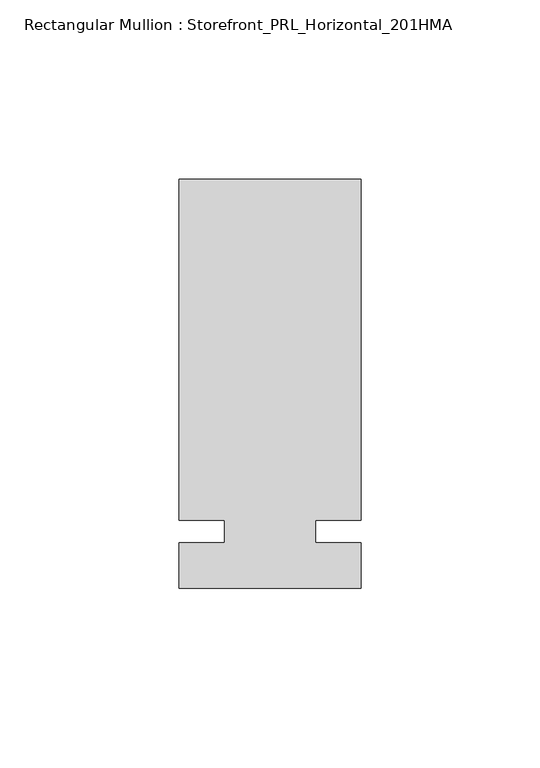
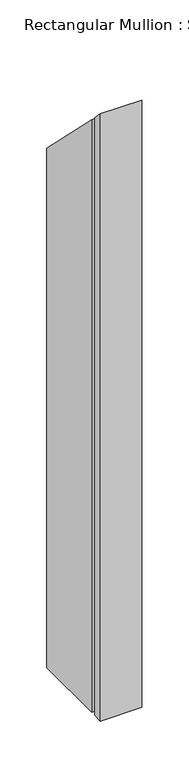
"""IFC4 building model written with IfcOpenShell, lengths in millimetres: member geometry, Rectangular Mullion : Storefront_PRL_Horizontal_201HMA."""

from ifc_helpers import new_model, si_unit, origin, place, context, project, spatial, faceted_brep, source, transform, mapped, element, save


def rectangular_mullion_storefront_prl_horizontal_201hma_a59b512b(model_context):
    return source(origin(), model_context, "Body", "Brep", [
        faceted_brep([(-12.7, 3.175, -774.7), (-25.4, 3.175, -774.7), (-25.4, 98.425, -774.7), (25.4, 98.425, -774.7), (25.4, 3.175, -774.7), (12.7, 3.175, -774.7), (12.7, -3.175, -774.7), (25.4, -3.175, -774.7), (25.4, -15.875, -774.7), (-25.4, -15.875, -774.7), (-25.4, -3.175, -774.7), (-12.7, -3.175, -774.7), (-12.7, -3.175, 3.175), (-12.7, 3.175, -3.175), (-25.4, -3.175, 3.175), (-25.4, -15.875, 15.875), (25.4, -15.875, 15.875), (25.4, -3.175, 3.175), (12.7, -3.175, 3.175), (12.7, 3.175, -3.175), (25.4, 3.175, -3.175), (25.4, 98.425, -98.425), (-25.4, 98.425, -98.425), (-25.4, 3.175, -3.175)], [[[0, 1, 2, 3, 4, 5, 6, 7, 8, 9, 10, 11]], [[12, 13, 0, 11]], [[14, 12, 11, 10]], [[15, 14, 10, 9]], [[16, 15, 9, 8]], [[17, 16, 8, 7]], [[18, 17, 7, 6]], [[19, 18, 6, 5]], [[20, 19, 5, 4]], [[21, 20, 4, 3]], [[22, 21, 3, 2]], [[23, 22, 2, 1]], [[13, 23, 1, 0]], [[13, 12, 14, 15, 16, 17, 18, 19, 20, 21, 22, 23]]]),
    ])


if __name__ == "__main__":
    model = new_model("IFC4")
    model_context = context("Model", 3, world=origin())
    ifc_project = project(units=[si_unit("LENGTHUNIT", "METRE", prefix="MILLI")], contexts=[model_context])
    site = spatial("IfcSite", under=ifc_project)
    building = spatial("IfcBuilding", under=site)
    placement = place(None, origin())
    rectangular_mullion_storefront_prl_horizontal_201hma_shape = rectangular_mullion_storefront_prl_horizontal_201hma_a59b512b(model_context)
    element("IfcMember", 1, ObjectType="Rectangular Mullion : Storefront_PRL_Horizontal_201HMA", at=placement, inside=building, context=model_context, shape_type="MappedRepresentation", body=[
        mapped(rectangular_mullion_storefront_prl_horizontal_201hma_shape, transform((0.0, 0.0, 0.0), x_axis=(1.0, 0.0, 0.0), y_axis=(0.0, 1.0, 0.0), z_axis=(0.0, 0.0, 1.0))),
    ])
    save(model, "model.ifc")
